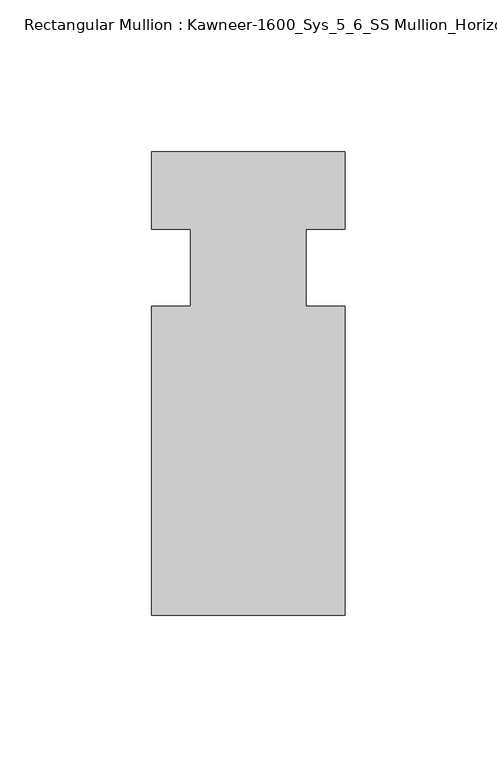
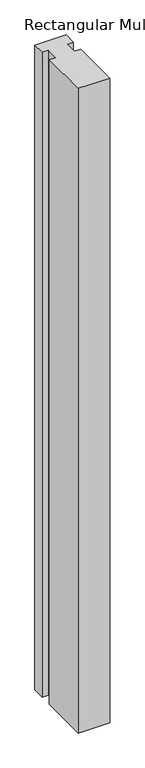
"""IFC4 building model written with IfcOpenShell, lengths in millimetres: member geometry, Rectangular Mullion : Kawneer-1600_Sys_5_6_SS Mullion_Horizontal."""

from ifc_helpers import new_model, si_unit, frame, origin, place, context, project, spatial, polyline, outline, extrude, source, transform, mapped, element, save


def rectangular_mullion_kawneer_1600_sys_5_6_ss_mullion_711573d7(model_context):
    return source(origin(), model_context, "Body", "SweptSolid", [
        extrude(outline(polyline([(36.0844027, -114.3), (-27.4155973, -114.3), (-27.4155973, -12.7), (-14.7155973, -12.7), (-14.7155973, 12.7), (-27.4155973, 12.7), (-27.4155973, 38.1), (36.0844027, 38.1), (36.0844027, 12.7), (23.3826322, 12.7), (23.3826322, -12.7), (36.0844027, -12.7), (36.0844027, -114.3)])), frame((0.0, 0.0, -1382.2844027), z_axis=(0.0, 0.0, 1.0), x_axis=(1.0, 0.0, 0.0)), (0.0, 0.0, 1.0), 1382.2844027),
    ])


if __name__ == "__main__":
    model = new_model("IFC4")
    model_context = context("Model", 3, world=origin())
    ifc_project = project(units=[si_unit("LENGTHUNIT", "METRE", prefix="MILLI")], contexts=[model_context])
    site = spatial("IfcSite", under=ifc_project)
    building = spatial("IfcBuilding", under=site)
    placement = place(None, origin())
    rectangular_mullion_kawneer_1600_sys_5_6_ss_mullion_shape = rectangular_mullion_kawneer_1600_sys_5_6_ss_mullion_711573d7(model_context)
    element("IfcMember", 1, ObjectType="Rectangular Mullion : Kawneer-1600_Sys_5_6_SS Mullion_Horizontal", at=placement, inside=building, context=model_context, shape_type="MappedRepresentation", body=[
        mapped(rectangular_mullion_kawneer_1600_sys_5_6_ss_mullion_shape, transform((0.0, 0.0, 0.0), x_axis=(1.0, 0.0, 0.0), y_axis=(0.0, 1.0, 0.0), z_axis=(0.0, 0.0, 1.0))),
    ])
    save(model, "model.ifc")
